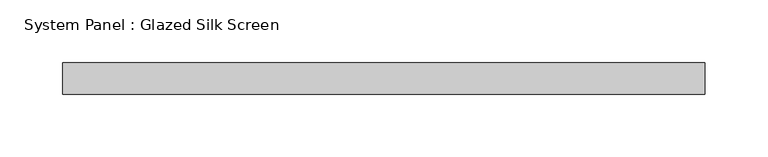
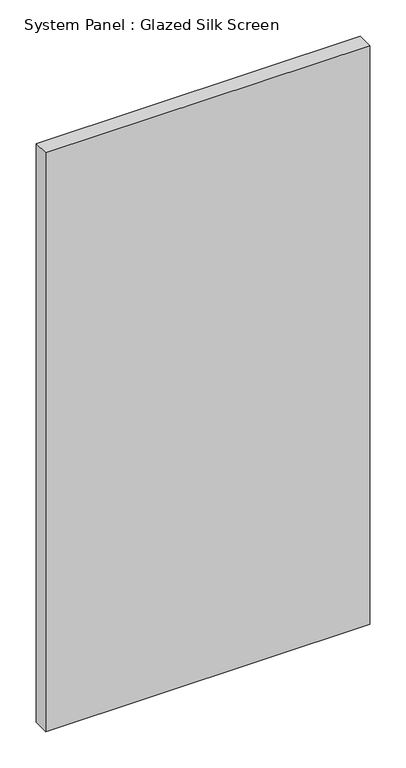
"""IFC4 building model written with IfcOpenShell, lengths in millimetres: plate geometry, System Panel : Glazed Silk Screen."""

from ifc_helpers import new_model, si_unit, origin, origin_with_axes, place, context, project, spatial, polyline, outline, extrude, source, transform, mapped, element, save


def system_panel_glazed_silk_screen_1d5fd9d5(model_context):
    return source(origin(), model_context, "Body", "SweptSolid", [
        extrude(outline(polyline([(257.1750248, 19.05), (-257.1750248, 19.05), (-257.1750248, 44.45), (257.1750248, 44.45), (257.1750248, 19.05)])), origin_with_axes(), (0.0, 0.0, 1.0), 971.55),
    ])


if __name__ == "__main__":
    model = new_model("IFC4")
    model_context = context("Model", 3, world=origin())
    ifc_project = project(units=[si_unit("LENGTHUNIT", "METRE", prefix="MILLI")], contexts=[model_context])
    site = spatial("IfcSite", under=ifc_project)
    building = spatial("IfcBuilding", under=site)
    placement = place(None, origin())
    system_panel_glazed_silk_screen_shape = system_panel_glazed_silk_screen_1d5fd9d5(model_context)
    element("IfcPlate", 1, ObjectType="System Panel : Glazed Silk Screen", at=placement, inside=building, context=model_context, shape_type="MappedRepresentation", body=[
        mapped(system_panel_glazed_silk_screen_shape, transform((0.0, 0.0, 0.0), x_axis=(1.0, 0.0, 0.0), y_axis=(0.0, 1.0, 0.0), z_axis=(0.0, 0.0, 1.0))),
    ])
    save(model, "model.ifc")
